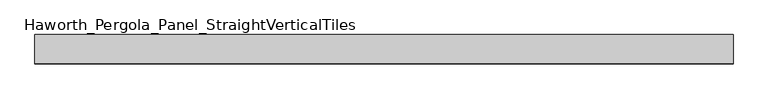
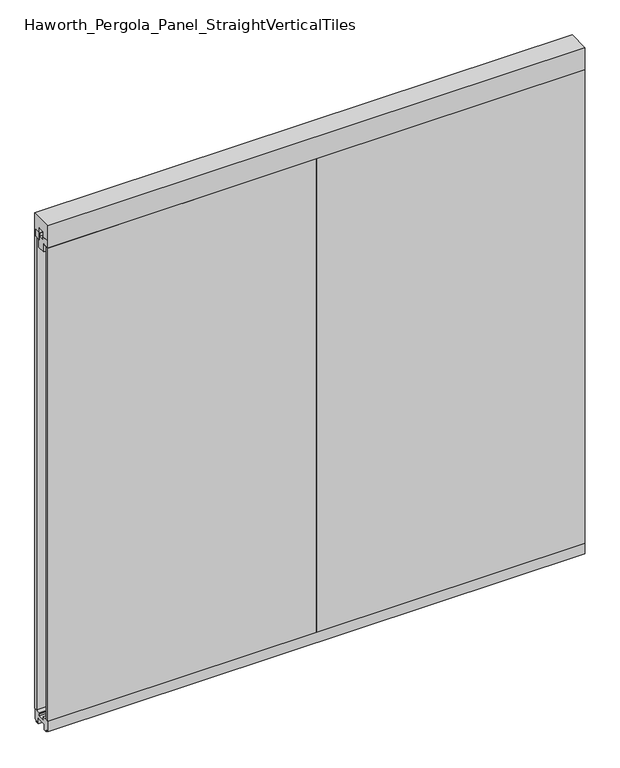
"""IFC4 building model written with IfcOpenShell, lengths in millimetres: furniture geometry, Haworth_Pergola_Panel_StraightVerticalTiles."""

import ifcopenshell
import ifcopenshell.guid

model = None  # the IFC model being written
_history = None  # IfcOwnerHistory: only IFC2X3 demands one
_inside = {}  # id of a spatial element -> (the spatial element, [elements in it])
_under = {}  # id of a project, library or spatial element -> (it, [spatial elements below it])
_declared = {}  # id of a project -> (the project, [libraries it declares])
_typed = {}  # id of a type object -> (the type object, [elements of that type])
_made_of = {}  # id of a material, layer set ... -> (it, [elements and type objects made of it])


def new_model(schema):
    """Start an empty IFC model of exactly this schema.

    Asked for "IFC4X3", IfcOpenShell would pick the latest addendum, in which some entities
    have other attributes; the version numbers below select the first issue.
    IFC2X3 requires an IfcOwnerHistory on every rooted entity: one is made here for all.
    """
    global model, _history
    if schema == "IFC4X3":
        model = ifcopenshell.file(schema_version=(4, 3, 0, 0))
    else:
        model = ifcopenshell.file(schema=schema)
    _inside.clear()
    _under.clear()
    _declared.clear()
    _typed.clear()
    _made_of.clear()
    _history = None
    if model.schema == "IFC2X3":
        org = make("IfcOrganization", Name="unknown")
        user = make(
            "IfcPersonAndOrganization",
            ThePerson=make("IfcPerson", FamilyName="unknown"),
            TheOrganization=org,
        )
        app = make(
            "IfcApplication",
            ApplicationDeveloper=org,
            Version="unknown",
            ApplicationFullName="unknown",
            ApplicationIdentifier="unknown",
        )
        _history = make(
            "IfcOwnerHistory",
            OwningUser=user,
            OwningApplication=app,
            ChangeAction="ADDED",
            CreationDate=0,
        )
    return model


def make(cls, **values):
    """One entity of the class cls with the attributes given. An attribute that is None is left unset."""
    return model.create_entity(
        cls, **{name: value for name, value in values.items() if value is not None}
    )


def rooted(cls, **values):
    """An entity with a GlobalId (a new one), such as an element, a storey or a relation."""
    return make(cls, GlobalId=ifcopenshell.guid.new(), OwnerHistory=_history, **values)


def si_unit(unit_type, name, prefix=None):
    """IfcSIUnit, for example si_unit("LENGTHUNIT", "METRE", prefix="MILLI")."""
    return make("IfcSIUnit", UnitType=unit_type, Prefix=prefix, Name=name)


def assignment(units):
    """IfcUnitAssignment: the units of a project."""
    return None if units is None else make("IfcUnitAssignment", Units=units)


def point(xyz):
    """IfcCartesianPoint."""
    return None if xyz is None else make("IfcCartesianPoint", Coordinates=xyz)


def direction(xyz):
    """IfcDirection."""
    return None if xyz is None else make("IfcDirection", DirectionRatios=xyz)


def frame(location, z_axis=None, x_axis=None):
    """IfcAxis2Placement3D, a coordinate frame: its origin and axes. An axis left out is left unset."""
    return make(
        "IfcAxis2Placement3D",
        Location=point(location),
        Axis=direction(z_axis),
        RefDirection=direction(x_axis),
    )


def origin():
    """The frame at (0, 0, 0) with its axes left unset."""
    return frame((0.0, 0.0, 0.0))


def place(relative_to, where):
    """IfcLocalPlacement: puts the frame where relative to a parent placement (None: the world)."""
    return make(
        "IfcLocalPlacement", PlacementRelTo=relative_to, RelativePlacement=where
    )


def context(
    kind, dimensions, precision=None, world=None, true_north=None, identifier=None
):
    """IfcGeometricRepresentationContext, for example the 3D "Model" context."""
    return make(
        "IfcGeometricRepresentationContext",
        ContextIdentifier=identifier,
        ContextType=kind,
        CoordinateSpaceDimension=dimensions,
        Precision=precision,
        WorldCoordinateSystem=world,
        TrueNorth=true_north,
    )


def project(units=None, contexts=None):
    """IfcProject with its units and contexts."""
    return rooted(
        "IfcProject",
        Name="project",
        RepresentationContexts=contexts,
        UnitsInContext=assignment(units),
    )


def spatial(cls, under=None, at=None, **own):
    """A site, building, storey or space (cls), placed at a placement, below another one or the project."""
    s = rooted(cls, ObjectPlacement=at, **own)
    if under is not None:
        _under.setdefault(under.id(), (under, []))[1].append(s)
    return s


def polyline(points):
    """IfcPolyline through the points."""
    return make("IfcPolyline", Points=[point(p) for p in points])


def outline(outer, holes=None, kind="AREA"):
    """IfcArbitraryClosedProfileDef: a profile drawn as a closed curve; with holes, ...WithVoids."""
    if holes is None:
        return make("IfcArbitraryClosedProfileDef", ProfileType=kind, OuterCurve=outer)
    return make(
        "IfcArbitraryProfileDefWithVoids",
        ProfileType=kind,
        OuterCurve=outer,
        InnerCurves=holes,
    )


def extrude(swept, where, along, depth):
    """IfcExtrudedAreaSolid: the profile swept, set in the frame where, extruded along a direction by depth."""
    return make(
        "IfcExtrudedAreaSolid",
        SweptArea=swept,
        Position=where,
        ExtrudedDirection=direction(along),
        Depth=depth,
    )


def shape(context_of_items, identifier, shape_type, items):
    """IfcShapeRepresentation: the items that make up one representation, for example the "Body"."""
    return make(
        "IfcShapeRepresentation",
        ContextOfItems=context_of_items,
        RepresentationIdentifier=identifier,
        RepresentationType=shape_type,
        Items=items,
    )


def source(mapping_origin, context_of_items, identifier, shape_type, items):
    """IfcRepresentationMap: a shape defined once, which mapped items show again and again."""
    return make(
        "IfcRepresentationMap",
        MappingOrigin=mapping_origin,
        MappedRepresentation=shape(context_of_items, identifier, shape_type, items),
    )


def transform(
    local_origin,
    x_axis=None,
    y_axis=None,
    z_axis=None,
    scale=None,
    scale2=None,
    scale3=None,
    uniform=True,
):
    """IfcCartesianTransformationOperator3D, or its non-uniform kind. x_axis, y_axis, z_axis: its Axis1, 2, 3."""
    if uniform:
        return make(
            "IfcCartesianTransformationOperator3D",
            Axis1=direction(x_axis),
            Axis2=direction(y_axis),
            LocalOrigin=point(local_origin),
            Scale=scale,
            Axis3=direction(z_axis),
        )
    return make(
        "IfcCartesianTransformationOperator3DnonUniform",
        Axis1=direction(x_axis),
        Axis2=direction(y_axis),
        LocalOrigin=point(local_origin),
        Scale=scale,
        Axis3=direction(z_axis),
        Scale2=scale2,
        Scale3=scale3,
    )


def mapped(mapping_source, mapping_target):
    """IfcMappedItem: shows the shape of a source again, moved by a transform."""
    return make(
        "IfcMappedItem", MappingSource=mapping_source, MappingTarget=mapping_target
    )


def made_of(thing, what):
    """Note that an element or type object is made of a material, layer set ...; save() writes the relation."""
    if what is not None:
        _made_of.setdefault(what.id(), (what, []))[1].append(thing)
    return thing


def element(
    cls,
    number,
    at=None,
    inside=None,
    cuts=None,
    type_object=None,
    material=None,
    context=None,
    identifier="Body",
    shape_type=None,
    held_by="IfcProductDefinitionShape",
    body=None,
    shapes=None,
    **own,
):
    """One element of the class cls, such as IfcWall. Its Tag is "e" and its number.

    at: its placement. inside: the storey or other place that contains it. cuts: it is an
    opening in that element (IfcRelVoidsElement). A single representation is given by context,
    identifier, shape_type and body (its items); several are given by shapes. held_by: the class
    of the entity that holds the representations. save() writes the other relations.
    """
    e = rooted(cls, Tag="e%d" % number, ObjectPlacement=at, **own)
    if body is not None:
        shapes = [shape(context, identifier, shape_type, body)]
    if shapes is not None:
        e.Representation = make(held_by, Representations=shapes)
    if inside is not None:
        _inside.setdefault(inside.id(), (inside, []))[1].append(e)
    if cuts is not None:
        rooted(
            "IfcRelVoidsElement", RelatingBuildingElement=cuts, RelatedOpeningElement=e
        )
    if type_object is not None:
        _typed.setdefault(type_object.id(), (type_object, []))[1].append(e)
    return made_of(e, material)


def aggregate(whole, parts):
    """IfcRelAggregates: a whole, such as a stair, and the parts it consists of."""
    return rooted("IfcRelAggregates", RelatingObject=whole, RelatedObjects=parts)


def save(model, path):
    """Write the relations noted so far, then the file.

    IfcRelAggregates (storeys below a building ...), IfcRelContainedInSpatialStructure (elements
    in a storey), IfcRelDefinesByType, IfcRelAssociatesMaterial and IfcRelDeclares: one each for
    every whole, place, type object, material and project.
    """
    for whole, parts in _under.values():
        aggregate(whole, parts)
    for where, things in _inside.values():
        rooted(
            "IfcRelContainedInSpatialStructure",
            RelatedElements=things,
            RelatingStructure=where,
        )
    for kind, things in _typed.values():
        rooted("IfcRelDefinesByType", RelatedObjects=things, RelatingType=kind)
    for what, things in _made_of.values():
        rooted("IfcRelAssociatesMaterial", RelatedObjects=things, RelatingMaterial=what)
    for by, libraries in _declared.values():
        rooted("IfcRelDeclares", RelatingContext=by, RelatedDefinitions=libraries)
    model.write(path)


def haworth_pergola_panel_straightverticaltiles_397a14ae(model_context):
    return source(origin(), model_context, "Body", "SweptSolid", [
        extrude(outline(polyline([(-12.7, 2363.5890625), (-12.7, 2350.8890625), (12.7, 2350.8890625), (12.7, 2363.5890625), (44.45, 2363.5890625), (44.45, 2331.8390625), (19.05, 2331.8390625), (19.05, 2293.7390625), (-19.05, 2293.7390625), (-19.05, 2331.8390625), (-44.45, 2331.8390625), (-44.45, 2363.5890625), (-12.7, 2363.5890625)])), frame((38.1, 0.0, 0.0), z_axis=(1.0, 0.0, 0.0), x_axis=(0.0, 1.0, 0.0)), (0.0, 0.0, 1.0), 1219.2),
        extrude(outline(polyline([(38.1, -50.8), (38.1, -38.1), (1257.3, -38.1), (1257.3, -50.8), (38.1, -50.8)])), frame((0.0, 0.0, 63.5), z_axis=(0.0, 0.0, 1.0), x_axis=(1.0, 0.0, 0.0)), (0.0, 0.0, 1.0), 2268.3390625),
        extrude(outline(polyline([(38.1, 38.1), (38.1, 50.8), (1257.3, 50.8), (1257.3, 38.1), (38.1, 38.1)])), frame((0.0, 0.0, 63.5), z_axis=(0.0, 0.0, 1.0), x_axis=(1.0, 0.0, 0.0)), (0.0, 0.0, 1.0), 2268.3390625),
        extrude(outline(polyline([(-12.7, 2363.5890625), (-12.7, 2350.8890625), (12.7, 2350.8890625), (12.7, 2363.5890625), (44.45, 2363.5890625), (44.45, 2331.8390625), (19.05, 2331.8390625), (19.05, 2293.7390625), (-19.05, 2293.7390625), (-19.05, 2331.8390625), (-44.45, 2331.8390625), (-44.45, 2363.5890625), (-12.7, 2363.5890625)])), frame((-1181.1, 0.0, 0.0), z_axis=(1.0, 0.0, 0.0), x_axis=(0.0, 1.0, 0.0)), (0.0, 0.0, 1.0), 1219.2),
        extrude(outline(polyline([(-1181.1, -50.8), (-1181.1, -38.1), (38.1, -38.1), (38.1, -50.8), (-1181.1, -50.8)])), frame((0.0, 0.0, 63.5), z_axis=(0.0, 0.0, 1.0), x_axis=(1.0, 0.0, 0.0)), (0.0, 0.0, 1.0), 2268.3390625),
        extrude(outline(polyline([(-1181.1, 38.1), (-1181.1, 50.8), (38.1, 50.8), (38.1, 38.1), (-1181.1, 38.1)])), frame((0.0, 0.0, 63.5), z_axis=(0.0, 0.0, 1.0), x_axis=(1.0, 0.0, 0.0)), (0.0, 0.0, 1.0), 2268.3390625),
        extrude(outline(polyline([(50.8, 2438.4), (50.8, 2331.8390625), (15.2182948, 2331.8390625), (15.2182948, 2388.7001663), (-15.2182948, 2388.7001663), (-15.2182948, 2331.8390625), (-50.8, 2331.8390625), (-50.8, 2438.4), (50.8, 2438.4)])), frame((-1181.1, 0.0, 0.0), z_axis=(1.0, 0.0, 0.0), x_axis=(0.0, 1.0, 0.0)), (0.0, 0.0, 1.0), 2438.4),
        extrude(outline(polyline([(16.2000002, 63.5), (50.0000003, 63.5), (50.0000003, 12.6999985), (40.9499986, 12.6999985), (38.949998, 10.6999979), (28.9499998, 10.6999979), (28.9499998, 7.6999994), (38.949998, 7.6999994), (38.949998, 5.6999988), (23.7499992, 5.6999988), (23.7499992, 31.4500009), (-23.7499993, 31.4500009), (-23.7499993, 5.6999988), (-38.9499981, 5.6999988), (-38.9499981, 7.6999994), (-28.9499999, 7.6999994), (-28.9499999, 10.6999979), (-38.9499981, 10.6999979), (-40.9499987, 12.6999985), (-50.0000004, 12.6999985), (-50.0000004, 63.5), (-16.2000003, 63.5), (-16.5085718, 61.7499999), (-13.3999997, 61.7499999), (-13.3999997, 58.8973461), (-15.4000003, 59.2499999), (-15.4000003, 48.3500004), (15.4000002, 48.3500004), (15.4000002, 59.2499999), (13.3999996, 58.8973461), (13.3999996, 61.7499999), (16.5085717, 61.7499999), (16.2000002, 63.5)])), frame((-1181.1, 0.0, 0.0), z_axis=(1.0, 0.0, 0.0), x_axis=(0.0, 1.0, 0.0)), (0.0, 0.0, 1.0), 2438.4),
    ])


if __name__ == "__main__":
    model = new_model("IFC4")
    model_context = context("Model", 3, world=origin())
    ifc_project = project(units=[si_unit("LENGTHUNIT", "METRE", prefix="MILLI")], contexts=[model_context])
    site = spatial("IfcSite", under=ifc_project)
    building = spatial("IfcBuilding", under=site)
    placement = place(None, origin())
    haworth_pergola_panel_straightverticaltiles_shape = haworth_pergola_panel_straightverticaltiles_397a14ae(model_context)
    element("IfcFurniture", 1, ObjectType="Haworth_Pergola_Panel_StraightVerticalTiles", at=placement, inside=building, context=model_context, shape_type="MappedRepresentation", body=[
        mapped(haworth_pergola_panel_straightverticaltiles_shape, transform((0.0, 0.0, 0.0), x_axis=(1.0, 0.0, 0.0), y_axis=(0.0, 1.0, 0.0), z_axis=(0.0, 0.0, 1.0))),
    ])
    save(model, "model.ifc")
